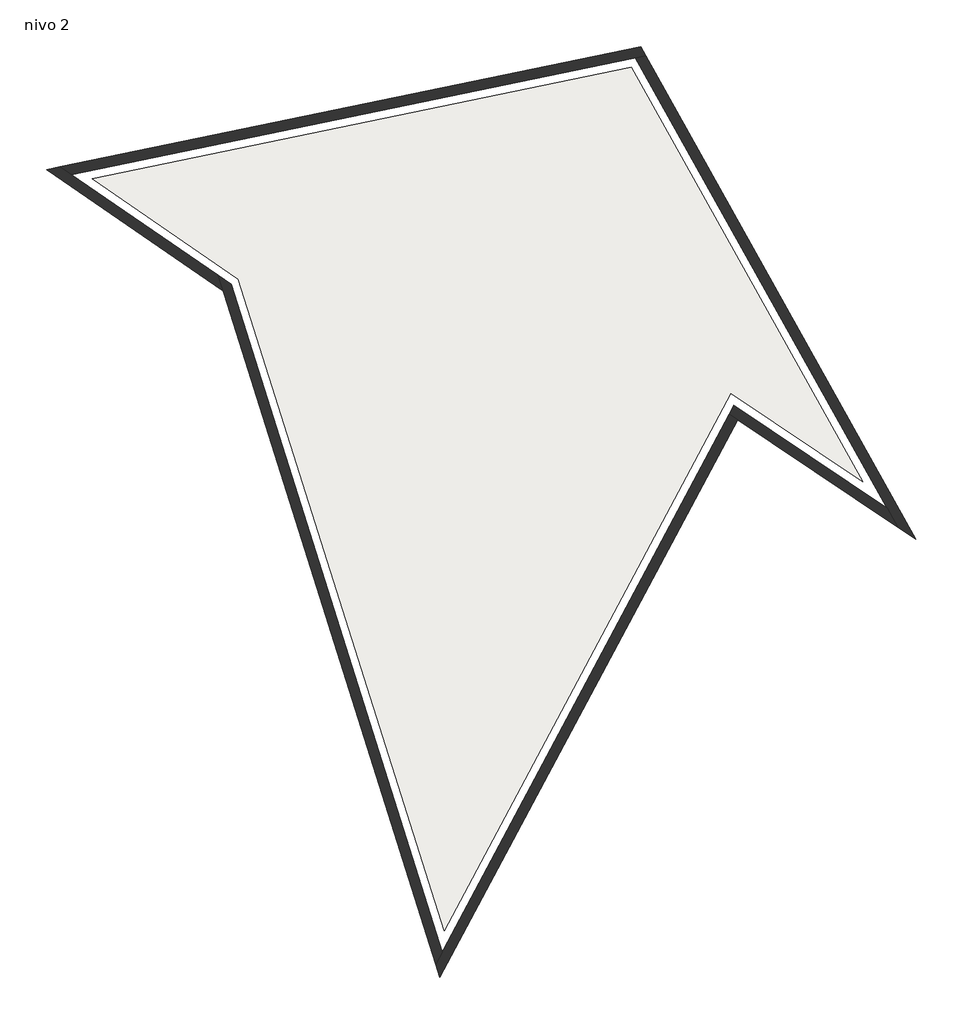
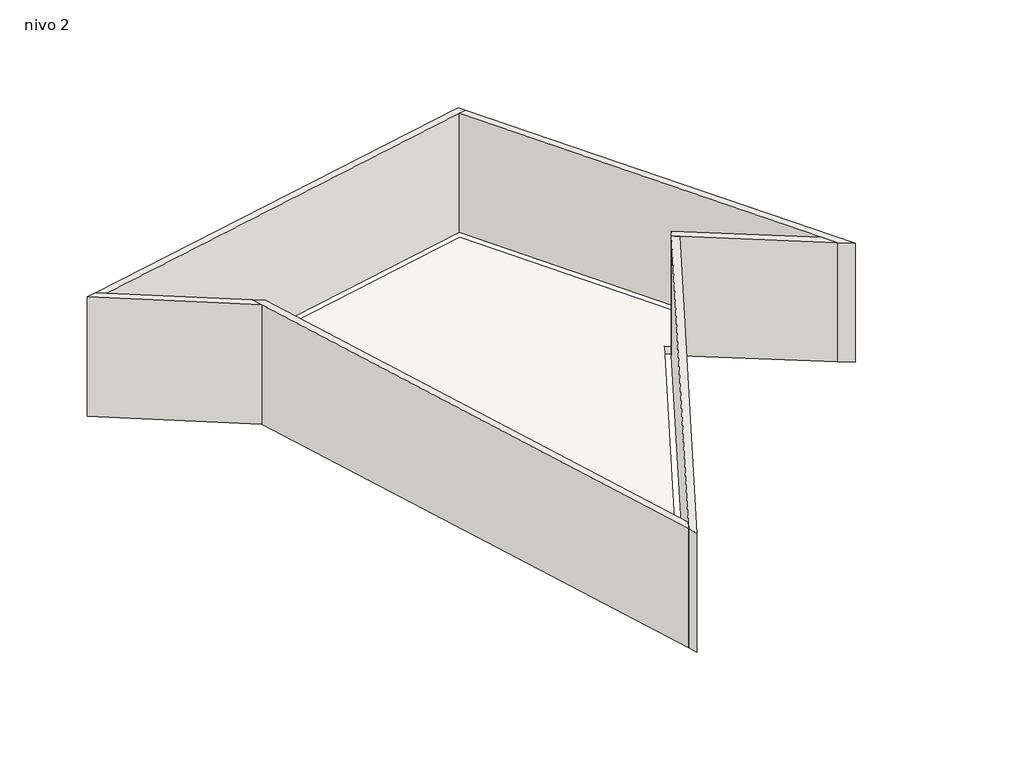
# One storey: 6 walls, 1 slab.
"""IFC4 building model written with IfcOpenShell, lengths in millimetres."""

from ifc_helpers import new_model, si_unit, frame, origin, place, context, project, spatial, polyline, outline, extrude, faceted_brep, element, save

model = new_model("IFC4")

# Units and contexts
model_context = context("Model", 3, world=origin())
ifc_project = project(units=[si_unit("LENGTHUNIT", "METRE", prefix="MILLI")], contexts=[model_context])

# Site, building, storey
site = spatial("IfcSite", under=ifc_project)
building = spatial("IfcBuilding", under=site)
storey = spatial("IfcBuildingStorey", under=building, Name="nivo 2", Elevation=7220.0)

# Slab
placement = place(None, origin())
element("IfcSlab", 1, ObjectType="Insitu Concrete 225mm", at=placement, inside=storey, context=model_context, shape_type="SweptSolid", body=[
    extrude(outline(polyline([(-2062.0199405, -31162.3646231), (-6228.516234, -17972.8061312), (-9187.2528661, -15943.0567395), (1722.7615386, -13683.5722051), (6412.7808991, -22075.6027442), (3742.5524022, -20284.2663352), (-2062.0199405, -31162.3646231)])), frame((0.0, 0.0, 6995.0), z_axis=(0.0, 0.0, 1.0), x_axis=(1.0, 0.0, 0.0)), (0.0, 0.0, 1.0), 225.0),
])

# Walls
element("IfcWall", 2, ObjectType="Generic - 200mm", at=placement, inside=storey, context=model_context, shape_type="Brep", body=[
    faceted_brep([(-2102.3518703, -31599.0574789, 7220.0), (-6372.9791544, -18079.8594782, 7220.0), (-6372.9791544, -18079.8594782, 10820.0), (-2102.3518703, -31599.0574789, 10820.0), (-2234.0989205, -31845.9589347, 7220.0), (-2234.0989205, -31845.9589347, 10820.0), (-6542.9355313, -18205.8045924, 10820.0), (-6640.7488745, -17896.1643765, 10820.0), (-6640.7488745, -17896.1643765, 7220.0), (-6542.9355313, -18205.8045924, 7220.0)], [[[0, 1, 2, 3]], [[4, 5, 6, 7, 8, 9]], [[1, 0, 4, 9, 8]], [[3, 2, 7, 6, 5]], [[2, 1, 8, 7]], [[0, 3, 5, 4]]]),
])
element("IfcWall", 3, ObjectType="Generic - 200mm", at=placement, inside=storey, context=model_context, shape_type="Brep", body=[
    faceted_brep([(-6640.7488745, -17896.1643765, 7220.0), (-9612.4642253, -15857.5113379, 7220.0), (-9841.1500661, -15700.628518, 7220.0), (-9841.1500661, -15700.628518, 10820.0), (-9612.4642253, -15857.5113379, 10820.0), (-6640.7488745, -17896.1643765, 10820.0), (-6542.9355313, -18205.8045924, 7220.0), (-6542.9355313, -18205.8045924, 10820.0), (-10112.7128832, -15756.869689, 10820.0), (-10112.7128832, -15756.869689, 7220.0)], [[[0, 1, 2, 3, 4, 5]], [[6, 7, 8, 9]], [[2, 1, 0, 6, 9]], [[5, 4, 3, 8, 7]], [[0, 5, 7, 6]], [[3, 2, 9, 8]]]),
])
element("IfcWall", 4, ObjectType="Generic - 200mm", at=placement, inside=storey, context=model_context, shape_type="Brep", body=[
    faceted_brep([(-9612.4642253, -15857.5113379, 7220.0), (1810.3477598, -13491.8254587, 7220.0), (2015.694517, -13449.2977584, 7220.0), (2015.694517, -13449.2977584, 10820.0), (1810.3477598, -13491.8254587, 10820.0), (-9612.4642253, -15857.5113379, 10820.0), (-9841.1500661, -15700.628518, 7220.0), (-9841.1500661, -15700.628518, 10820.0), (1913.3903729, -13266.2410511, 10820.0), (1913.3903729, -13266.2410511, 7220.0)], [[[0, 1, 2, 3, 4, 5]], [[6, 7, 8, 9]], [[2, 1, 0, 6, 9]], [[5, 4, 3, 8, 7]], [[0, 5, 7, 6]], [[3, 2, 9, 8]]]),
])
element("IfcWall", 5, ObjectType="Generic - 200mm", at=placement, inside=storey, context=model_context, shape_type="Brep", body=[
    faceted_brep([(1810.3477598, -13491.8254587, 7220.0), (6907.3601521, -22612.104154, 7220.0), (7122.6837194, -22997.3908263, 7220.0), (7122.6837194, -22997.3908263, 10820.0), (6907.3601521, -22612.104154, 10820.0), (1810.3477598, -13491.8254587, 10820.0), (2015.694517, -13449.2977584, 7220.0), (2015.694517, -13449.2977584, 10820.0), (7489.2180969, -23243.2822833, 10820.0), (7489.2180969, -23243.2822833, 7220.0)], [[[0, 1, 2, 3, 4, 5]], [[6, 7, 8, 9]], [[2, 1, 0, 6, 9]], [[5, 4, 3, 8, 7]], [[0, 5, 7, 6]], [[3, 2, 9, 8]]]),
])
element("IfcWall", 6, ObjectType="Generic - 200mm", at=placement, inside=storey, context=model_context, shape_type="Brep", body=[
    faceted_brep([(6907.3601521, -22612.104154, 7220.0), (3804.0076271, -20530.2042812, 7220.0), (3804.0076271, -20530.2042812, 10820.0), (6907.3601521, -22612.104154, 10820.0), (7122.6837194, -22997.3908263, 7220.0), (7122.6837194, -22997.3908263, 10820.0), (3876.3078917, -20819.5430413, 10820.0), (3709.3734049, -20707.5541892, 10820.0), (3709.3734049, -20707.5541892, 7220.0), (3876.3078917, -20819.5430413, 7220.0)], [[[0, 1, 2, 3]], [[4, 5, 6, 7, 8, 9]], [[1, 0, 4, 9, 8]], [[3, 2, 7, 6, 5]], [[0, 3, 5, 4]], [[2, 1, 8, 7]]]),
])
element("IfcWall", 7, ObjectType="Generic - 200mm", at=placement, inside=storey, context=model_context, shape_type="Brep", body=[
    faceted_brep([(3709.3734049, -20707.5541892, 7220.0), (-2102.3518703, -31599.0574789, 7220.0), (-2234.0989205, -31845.9589347, 7220.0), (-2234.0989205, -31845.9589347, 10820.0), (-2102.3518703, -31599.0574789, 10820.0), (3709.3734049, -20707.5541892, 10820.0), (3876.3078917, -20819.5430413, 7220.0), (3876.3078917, -20819.5430413, 10820.0), (-2149.8011994, -32112.8137798, 10820.0), (-2149.8011994, -32112.8137798, 7220.0)], [[[0, 1, 2, 3, 4, 5]], [[6, 7, 8, 9]], [[2, 1, 0, 6, 9]], [[5, 4, 3, 8, 7]], [[0, 5, 7, 6]], [[3, 2, 9, 8]]]),
])

save(model, "model.ifc")
